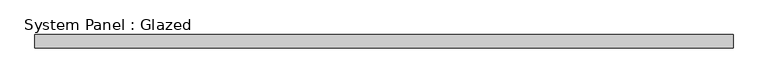
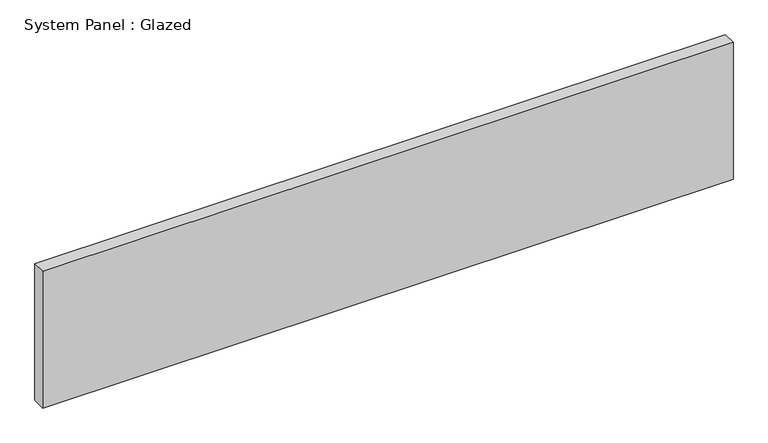
"""IFC4 building model written with IfcOpenShell, lengths in millimetres: plate geometry, System Panel : Glazed."""

from ifc_helpers import new_model, si_unit, origin, origin_with_axes, place, context, project, spatial, polyline, outline, extrude, source, transform, mapped, element, save


def system_panel_glazed_c9b5edcf(model_context):
    return source(origin(), model_context, "Body", "SweptSolid", [
        extrude(outline(polyline([(666.75, 19.05), (-666.75, 19.05), (-666.75, 44.45), (666.75, 44.45), (666.75, 19.05)])), origin_with_axes(), (0.0, 0.0, 1.0), 279.4),
    ])


if __name__ == "__main__":
    model = new_model("IFC4")
    model_context = context("Model", 3, world=origin())
    ifc_project = project(units=[si_unit("LENGTHUNIT", "METRE", prefix="MILLI")], contexts=[model_context])
    site = spatial("IfcSite", under=ifc_project)
    building = spatial("IfcBuilding", under=site)
    placement = place(None, origin())
    system_panel_glazed_shape = system_panel_glazed_c9b5edcf(model_context)
    element("IfcPlate", 1, ObjectType="System Panel : Glazed", at=placement, inside=building, context=model_context, shape_type="MappedRepresentation", body=[
        mapped(system_panel_glazed_shape, transform((0.0, 0.0, 0.0), x_axis=(1.0, 0.0, 0.0), y_axis=(0.0, 1.0, 0.0), z_axis=(0.0, 0.0, 1.0))),
    ])
    save(model, "model.ifc")
